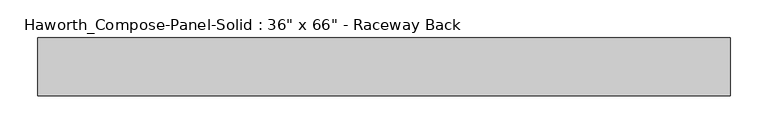
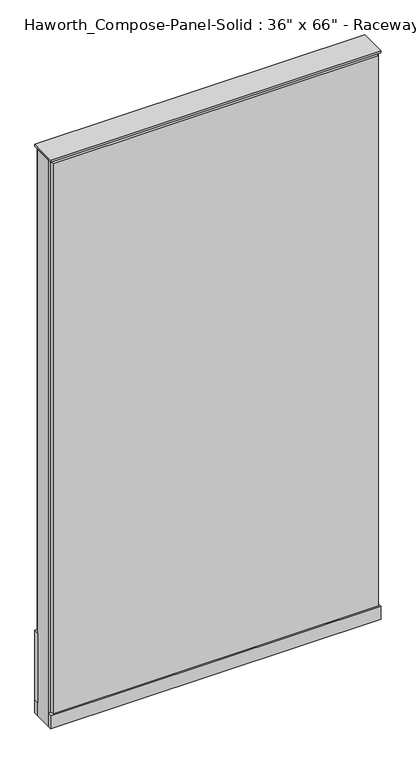
"""IFC4 building model written with IfcOpenShell, lengths in millimetres: furniture geometry."""

from ifc_helpers import new_model, si_unit, point, frame, frame_2d, origin, origin_with_axes, place, context, project, spatial, polyline, circle_curve, trimmed, segment, composite_curve, outline, extrude, source, transform, mapped, element, save


def furniture_dd84a876(model_context):
    return source(origin(), model_context, "Body", "SweptSolid", [
        extrude(outline(composite_curve([segment(trimmed(circle_curve(frame_2d((-378.5597098, 0.0)), 12.7), [point((-391.2597098, 0.0))], [point((-365.8597098, 0.0))], False, "CARTESIAN"), True, "CONTINUOUS"), segment(trimmed(circle_curve(frame_2d((-378.5597098, 0.0)), 12.7), [point((-365.8597098, 0.0))], [point((-391.2597098, 0.0))], False, "CARTESIAN"), True, "CONTINUOUS")], self_intersect=False)), origin_with_axes(), (0.0, 0.0, 1.0), 12.7),
        extrude(outline(composite_curve([segment(trimmed(circle_curve(frame_2d((383.4402902, 0.0)), 12.7), [point((370.7402902, 0.0))], [point((396.1402902, 0.0))], False, "CARTESIAN"), True, "CONTINUOUS"), segment(trimmed(circle_curve(frame_2d((383.4402902, 0.0)), 12.7), [point((396.1402902, 0.0))], [point((370.7402902, 0.0))], False, "CARTESIAN"), True, "CONTINUOUS")], self_intersect=False)), origin_with_axes(), (0.0, 0.0, 1.0), 12.7),
        extrude(outline(polyline([(453.2902902, 38.1), (453.2902902, 25.4), (-448.4097098, 25.4), (-448.4097098, 38.1), (453.2902902, 38.1)])), frame((0.0, 0.0, 257.175), z_axis=(0.0, 0.0, 1.0), x_axis=(1.0, 0.0, 0.0)), (0.0, 0.0, 1.0), 1406.525),
        extrude(outline(polyline([(459.6402902, 38.1), (459.6402902, 25.4), (-454.7597098, 25.4), (-454.7597098, 38.1), (459.6402902, 38.1)])), frame((0.0, 0.0, 50.8), z_axis=(0.0, 0.0, 1.0), x_axis=(1.0, 0.0, 0.0)), (0.0, 0.0, 1.0), 203.2),
        extrude(outline(polyline([(453.2902902, -38.1), (-448.4097098, -38.1), (-448.4097098, -25.4), (453.2902902, -25.4), (453.2902902, -38.1)])), frame((0.0, 0.0, 53.975), z_axis=(0.0, 0.0, 1.0), x_axis=(1.0, 0.0, 0.0)), (0.0, 0.0, 1.0), 1609.725),
        extrude(outline(polyline([(459.6402902, 25.4), (459.6402902, -25.4), (-454.7597098, -25.4), (-454.7597098, 25.4), (459.6402902, 25.4)])), frame((0.0, 0.0, 12.7), z_axis=(0.0, 0.0, 1.0), x_axis=(1.0, 0.0, 0.0)), (0.0, 0.0, 1.0), 1657.35),
        extrude(outline(polyline([(-454.7597098, -38.1), (-454.7597098, 38.1), (459.6402902, 38.1), (459.6402902, -38.1), (-454.7597098, -38.1)])), frame((0.0, 0.0, 12.7), z_axis=(0.0, 0.0, 1.0), x_axis=(1.0, 0.0, 0.0)), (0.0, 0.0, 1.0), 38.1),
        extrude(outline(polyline([(-454.7597098, -38.1), (-454.7597098, 38.1), (459.6402902, 38.1), (459.6402902, -38.1), (-454.7597098, -38.1)])), frame((0.0, 0.0, 1670.05), z_axis=(0.0, 0.0, 1.0), x_axis=(1.0, 0.0, 0.0)), (0.0, 0.0, 1.0), 6.35),
    ])


if __name__ == "__main__":
    model = new_model("IFC4")
    model_context = context("Model", 3, world=origin())
    ifc_project = project(units=[si_unit("LENGTHUNIT", "METRE", prefix="MILLI")], contexts=[model_context])
    site = spatial("IfcSite", under=ifc_project)
    building = spatial("IfcBuilding", under=site)
    placement = place(None, origin())
    furniture_shape = furniture_dd84a876(model_context)
    element("IfcFurniture", 1, ObjectType="Haworth_Compose-Panel-Solid : 36\" x 66\" - Raceway Back", at=placement, inside=building, context=model_context, shape_type="MappedRepresentation", body=[
        mapped(furniture_shape, transform((0.0, 0.0, 0.0), x_axis=(1.0, 0.0, 0.0), y_axis=(0.0, 1.0, 0.0), z_axis=(0.0, 0.0, 1.0))),
    ])
    save(model, "model.ifc")
